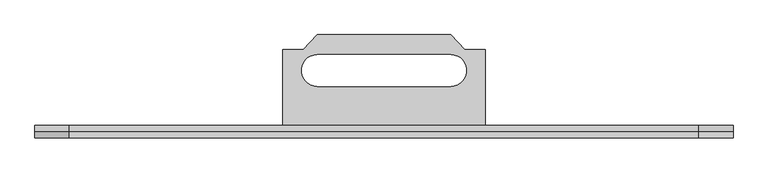
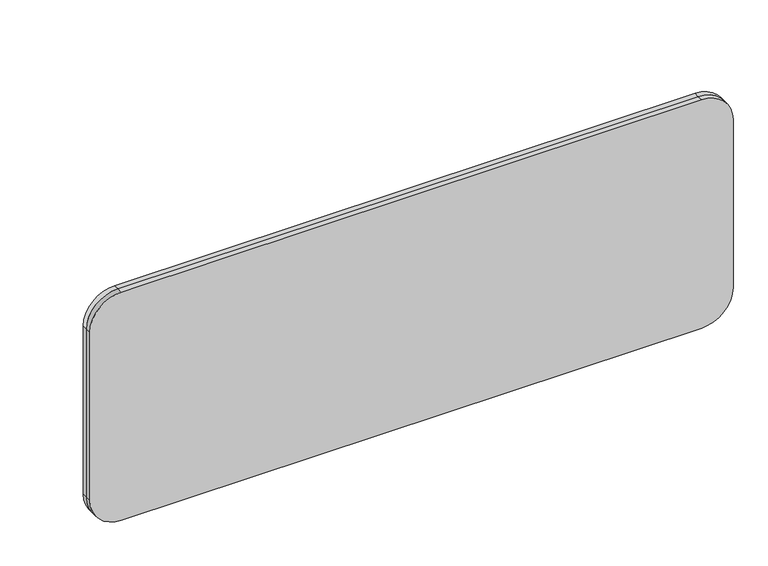
"""IFC4 building model written with IfcOpenShell, lengths in millimetres: furniture geometry."""

from ifc_helpers import new_model, si_unit, point, frame, frame_2d, origin, place, context, project, spatial, polyline, circle_curve, trimmed, segment, composite_curve, outline, extrude, source, transform, mapped, element, save
from ifc_brep_helpers import plane_surface, revolved_surface, advanced_brep


def furniture_289ca292(model_context):
    return source(origin(), model_context, "Body", "SolidModel", [
        extrude(outline(composite_curve([segment(trimmed(circle_curve(frame_2d((495.4486731, 135.89)), 59.69), [point((495.4486731, 76.2))], [point((435.7586731, 135.89))], False, "CARTESIAN"), True, "CONTINUOUS"), segment(polyline([(435.7586731, 135.89), (435.7586731, 1235.71)]), True, "CONTINUOUS"), segment(trimmed(circle_curve(frame_2d((495.4486731, 1235.71)), 59.69), [point((435.7586731, 1235.71))], [point((495.4486731, 1295.4))], False, "CARTESIAN"), True, "CONTINUOUS"), segment(polyline([(495.4486731, 1295.4), (833.2686731, 1295.4)]), True, "CONTINUOUS"), segment(trimmed(circle_curve(frame_2d((833.2686731, 1235.71)), 59.69), [point((833.2686731, 1295.4))], [point((892.9586731, 1235.71))], False, "CARTESIAN"), True, "CONTINUOUS"), segment(polyline([(892.9586731, 1235.71), (892.9586731, 135.89)]), True, "CONTINUOUS"), segment(trimmed(circle_curve(frame_2d((833.2686731, 135.89)), 59.69), [point((892.9586731, 135.89))], [point((833.2686731, 76.2))], False, "CARTESIAN"), True, "CONTINUOUS"), segment(polyline([(833.2686731, 76.2), (495.4486731, 76.2)]), True, "CONTINUOUS")], self_intersect=False)), frame((0.0, -21.4710747, 0.0), z_axis=(0.0, 1.0, 0.0), x_axis=(0.0, 0.0, 1.0)), (0.0, 0.0, 1.0), 10.7355373),
        extrude(outline(composite_curve([segment(trimmed(circle_curve(frame_2d((495.4486731, 135.89)), 59.69), [point((495.4486731, 76.2))], [point((435.7586731, 135.89))], False, "CARTESIAN"), True, "CONTINUOUS"), segment(polyline([(435.7586731, 135.89), (435.7586731, 1235.71)]), True, "CONTINUOUS"), segment(trimmed(circle_curve(frame_2d((495.4486731, 1235.71)), 59.69), [point((435.7586731, 1235.71))], [point((495.4486731, 1295.4))], False, "CARTESIAN"), True, "CONTINUOUS"), segment(polyline([(495.4486731, 1295.4), (833.2686731, 1295.4)]), True, "CONTINUOUS"), segment(trimmed(circle_curve(frame_2d((833.2686731, 1235.71)), 59.69), [point((833.2686731, 1295.4))], [point((892.9586731, 1235.71))], False, "CARTESIAN"), True, "CONTINUOUS"), segment(polyline([(892.9586731, 1235.71), (892.9586731, 135.89)]), True, "CONTINUOUS"), segment(trimmed(circle_curve(frame_2d((833.2686731, 135.89)), 59.69), [point((892.9586731, 135.89))], [point((833.2686731, 76.2))], False, "CARTESIAN"), True, "CONTINUOUS"), segment(polyline([(833.2686731, 76.2), (495.4486731, 76.2)]), True, "CONTINUOUS")], self_intersect=False)), frame((0.0, -10.7355373, 0.0), z_axis=(0.0, 1.0, 0.0), x_axis=(0.0, 0.0, 1.0)), (0.0, 0.0, 1.0), 10.7355373),
        advanced_brep(
        [(862.4037061, 0.0, 645.2885193), (862.4037061, 44.4641543, 645.2885193), (862.4037061, 76.6047044, 677.1385132), (862.4037061, 133.3624803, 677.1385132), (862.4037061, 133.3624803, 715.1385193), (862.4037061, 0.0, 715.1385193), (509.1962939, 0.0, 645.2885193), (509.1962939, 0.0, 715.1385193), (509.1962939, 133.3624803, 715.1385193), (509.1962939, 133.3624803, 677.1385132), (509.1962939, 76.6047044, 677.1385132), (509.1962939, 44.4641543, 645.2885193), (512.2442939, 44.4641543, 645.2885193), (512.2442939, 3.175, 645.2885193), (859.3557061, 3.175, 645.2885193), (859.3557061, 44.4641543, 645.2885193), (859.3557061, 76.6047044, 677.1385132), (512.2442939, 76.6047044, 677.1385132), (859.3557061, 130.3144803, 677.1385132), (825.3045173, 130.3144803, 677.1385132), (800.8906409, 155.7842435, 677.1385132), (570.7093591, 155.7842435, 677.1385132), (546.2954827, 130.3144803, 677.1385132), (512.2442939, 130.3144803, 677.1385132), (544.9950045, 133.3624803, 677.1385132), (569.4088808, 158.8322435, 677.1385132), (802.1911192, 158.8322435, 677.1385132), (826.6049955, 133.3624803, 677.1385132), (569.4088808, 158.8322435, 715.1385193), (802.1911192, 158.8322435, 715.1385193), (826.6049955, 133.3624803, 715.1385193), (544.9950045, 133.3624803, 715.1385193), (569.4090666, 124.3219469, 715.1385193), (802.1909576, 124.3219469, 715.1385193), (802.1909576, 68.7222398, 715.1385193), (569.4090666, 68.7222398, 715.1385193), (569.4090666, 124.3219469, 712.9017696), (802.1909576, 124.3219469, 712.9017696), (569.4090666, 68.7222398, 712.9017696), (802.1909576, 68.7222398, 712.9017696), (546.2954827, 130.3144803, 712.9017696), (570.7093591, 155.7842435, 712.9017696), (800.8906409, 155.7842435, 712.9017696), (825.3045173, 130.3144803, 712.9017696), (859.3557061, 130.3144803, 712.9017696), (859.3557061, 3.175, 712.9017696), (512.2442939, 3.175, 712.9017696), (512.2442939, 130.3144803, 712.9017696)],
        [
            (0, 1),
            (1, 2),
            (2, 3),
            (3, 4),
            (4, 5),
            (5, 0),
            (6, 7),
            (7, 8),
            (8, 9),
            (9, 10),
            (10, 11),
            (11, 6),
            (0, 6),
            (11, 12),
            (12, 13),
            (13, 14),
            (14, 15),
            (15, 1),
            (15, 16),
            (16, 2),
            (10, 17),
            (17, 12),
            (16, 18),
            (18, 19),
            (19, 20),
            (20, 21),
            (21, 22),
            (22, 23),
            (23, 17),
            (9, 24),
            (24, 25),
            (25, 26),
            (26, 27),
            (27, 3),
            (25, 28),
            (28, 29),
            (29, 26),
            (7, 5),
            (4, 30),
            (30, 29),
            (28, 31),
            (31, 8),
            (32, 33),
            (33, 34, circle_curve(frame((802.1909576, 96.5220933, 715.1385193), z_axis=(0.0, 0.0, -1.0), x_axis=(1.0, 0.0, 0.0)), 27.7998535)),
            (34, 35),
            (35, 32, circle_curve(frame((569.4090666, 96.5220933, 715.1385193), z_axis=(0.0, 0.0, -1.0), x_axis=(1.0, 0.0, 0.0)), 27.7998535)),
            (24, 31),
            (27, 30),
            (32, 36),
            (36, 37),
            (37, 33),
            (35, 38),
            (38, 36, circle_curve(frame((569.4090666, 96.5220933, 712.9017696), z_axis=(0.0, 0.0, -1.0), x_axis=(1.0, 0.0, 0.0)), 27.7998535)),
            (34, 39),
            (39, 38),
            (37, 39, circle_curve(frame((802.1909576, 96.5220933, 712.9017696), z_axis=(0.0, 0.0, -1.0), x_axis=(1.0, 0.0, 0.0)), 27.7998535)),
            (40, 41),
            (41, 42),
            (42, 43),
            (43, 44),
            (44, 45),
            (45, 46),
            (46, 47),
            (47, 40),
            (47, 23),
            (22, 40),
            (46, 13),
            (45, 14),
            (44, 18),
            (43, 19),
            (42, 20),
            (41, 21),
        ],
        [
            plane_surface(frame((862.4037061, 0.0, 645.2885193), z_axis=(1.0, 0.0, 0.0), x_axis=(0.0, 1.0, 0.0))),
            plane_surface(frame((509.1962939, 0.0, 645.2885193), z_axis=(-1.0, 0.0, 0.0), x_axis=(0.0, -1.0, 0.0))),
            plane_surface(frame((862.4037061, 0.0, 645.2885193), z_axis=(0.0, 0.0, -1.0), x_axis=(-1.0, 0.0, 0.0))),
            plane_surface(frame((862.4037061, 44.4641543, 645.2885193), z_axis=(0.0, 0.7038888276285288, -0.7103101564385346), x_axis=(-1.0, 0.0, 0.0))),
            plane_surface(frame((862.4037061, 76.6047044, 677.1385132), z_axis=(0.0, 0.0, -1.0), x_axis=(-1.0, 0.0, 0.0))),
            plane_surface(frame((862.4037061, 158.8322435, 677.1385132), z_axis=(0.0, 1.0, 0.0), x_axis=(-1.0, 0.0, 0.0))),
            plane_surface(frame((862.4037061, 158.8322435, 715.1385193), z_axis=(0.0, 0.0, 1.0), x_axis=(-1.0, 0.0, 0.0))),
            plane_surface(frame((862.4037061, 0.0, 715.1385193), z_axis=(0.0, -1.0, 0.0), x_axis=(-1.0, 0.0, 0.0))),
            plane_surface(frame((544.9950045, 133.3624803, 858.7618652), z_axis=(-0.7219124025348593, 0.6919844529079734, 0.0), x_axis=(0.0, 0.0, -1.0))),
            plane_surface(frame((509.1962939, 133.3624803, 858.7618652), z_axis=(0.0, 1.0, 0.0), x_axis=(0.0, 0.0, -1.0))),
            plane_surface(frame((826.6049955, 133.3624803, 858.7618652), z_axis=(0.0, 1.0, 0.0), x_axis=(0.0, 0.0, -1.0))),
            plane_surface(frame((797.8063844, 163.4066157, 858.7618652), z_axis=(0.7219124025348593, 0.6919844529079734, 0.0), x_axis=(0.0, 0.0, -1.0))),
            plane_surface(frame((802.1909576, 124.3219469, 858.7618652), z_axis=(0.0, -1.0, 0.0), x_axis=(0.0, 0.0, -1.0))),
            revolved_surface(polyline([(597.2089201, 96.5220933, 715.1385193), (597.2089201, 96.5220933, 712.9017696)]), (569.4090666, 96.5220933, 0.0), (0.0, 0.0, 1.0)),
            plane_surface(frame((569.4090666, 68.7222398, 858.7618652), z_axis=(0.0, 1.0, 0.0), x_axis=(0.0, 0.0, -1.0))),
            revolved_surface(polyline([(829.9908111000001, 96.5220933, 715.1385193), (829.9908111000001, 96.5220933, 712.9017696)]), (802.1909576, 96.5220933, 0.0), (0.0, 0.0, 1.0)),
            plane_surface(frame((509.1962939, 130.3144803, 712.9017696), z_axis=(0.0, 0.0, -1.0), x_axis=(-1.0, 0.0, 0.0))),
            plane_surface(frame((546.2954827, 130.3144803, 712.9017696), z_axis=(0.0, -1.0, 0.0), x_axis=(0.0, 0.0, -1.0))),
            plane_surface(frame((512.2442939, 130.3144803, 712.9017696), z_axis=(1.0, 0.0, 0.0), x_axis=(0.0, 0.0, -1.0))),
            plane_surface(frame((512.2442939, 3.175, 712.9017696), z_axis=(0.0, 1.0, 0.0), x_axis=(0.0, 0.0, -1.0))),
            plane_surface(frame((859.3557061, 3.175, 712.9017696), z_axis=(-1.0, 0.0, 0.0), x_axis=(0.0, 0.0, -1.0))),
            plane_surface(frame((859.3557061, 130.3144803, 712.9017696), z_axis=(0.0, -1.0, 0.0), x_axis=(0.0, 0.0, -1.0))),
            plane_surface(frame((825.3045173, 130.3144803, 712.9017696), z_axis=(-0.7219124025348599, -0.691984452907973, 0.0), x_axis=(0.0, 0.0, -1.0))),
            plane_surface(frame((800.8906409, 155.7842435, 712.9017696), z_axis=(0.0, -1.0, 0.0), x_axis=(0.0, 0.0, -1.0))),
            plane_surface(frame((570.7093591, 155.7842435, 712.9017696), z_axis=(0.7219124025348592, -0.6919844529079736, 0.0), x_axis=(0.0, 0.0, -1.0))),
        ],
        [
            (0, [[1, 2, 3, 4, 5, 6]]),
            (1, [[7, 8, 9, 10, 11, 12]]),
            (2, [[-1, 13, -12, 14, 15, 16, 17, 18]]),
            (3, [[-2, -18, 19, 20]]),
            (3, [[-11, 21, 22, -14]]),
            (4, [[-3, -20, 23, 24, 25, 26, 27, 28, 29, -21, -10, 30, 31, 32, 33, 34]]),
            (5, [[-32, 35, 36, 37]]),
            (6, [[38, -5, 39, 40, -36, 41, 42, -8], [43, 44, 45, 46]]),
            (7, [[-6, -38, -7, -13]]),
            (8, [[47, -41, -35, -31]]),
            (9, [[-47, -30, -9, -42]]),
            (10, [[48, -39, -4, -34]]),
            (11, [[-48, -33, -37, -40]]),
            (12, [[-43, 49, 50, 51]]),
            (13, [[-46, 52, 53, -49]]),
            (14, [[-45, 54, 55, -52]]),
            (15, [[-44, -51, 56, -54]]),
            (16, [[57, 58, 59, 60, 61, 62, 63, 64], [-50, -53, -55, -56]]),
            (17, [[-64, 65, -28, 66]]),
            (18, [[-63, 67, -15, -22, -29, -65]]),
            (19, [[-62, 68, -16, -67]]),
            (20, [[-61, 69, -23, -19, -17, -68]]),
            (21, [[-60, 70, -24, -69]]),
            (22, [[-59, 71, -25, -70]]),
            (23, [[-58, 72, -26, -71]]),
            (24, [[-57, -66, -27, -72]]),
        ],
    ),
    ])


if __name__ == "__main__":
    model = new_model("IFC4")
    model_context = context("Model", 3, world=origin())
    ifc_project = project(units=[si_unit("LENGTHUNIT", "METRE", prefix="MILLI")], contexts=[model_context])
    site = spatial("IfcSite", under=ifc_project)
    building = spatial("IfcBuilding", under=site)
    placement = place(None, origin())
    furniture_shape = furniture_289ca292(model_context)
    element("IfcFurniture", 1, at=placement, inside=building, context=model_context, shape_type="MappedRepresentation", body=[
        mapped(furniture_shape, transform((0.0, 0.0, 0.0), x_axis=(1.0, 0.0, 0.0), y_axis=(0.0, 1.0, 0.0), z_axis=(0.0, 0.0, 1.0))),
    ])
    save(model, "model.ifc")
